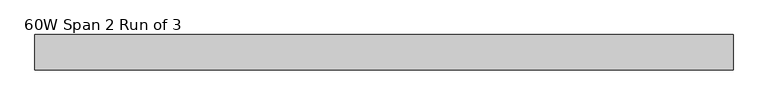
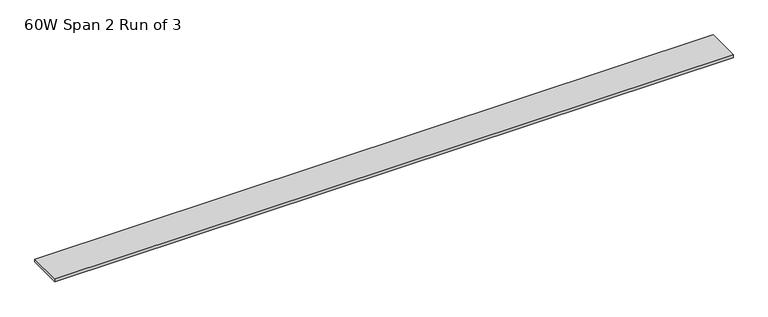
"""IFC4 building model written with IfcOpenShell, lengths in millimetres: furniture geometry, 60W Span 2 Run of 3."""

from ifc_helpers import new_model, si_unit, frame, origin, place, context, project, spatial, polyline, outline, extrude, source, transform, mapped, element, save


def furniture_60w_span_2_run_of_3_5e7d380f(model_context):
    return source(origin(), model_context, "Body", "SweptSolid", [
        extrude(outline(polyline([(706.01205, 38.735), (706.01205, -38.735), (-817.98795, -38.735), (-817.98795, 38.735), (706.01205, 38.735)])), frame((0.0, 0.0, 1429.766), z_axis=(0.0, 0.0, 1.0), x_axis=(1.0, 0.0, 0.0)), (0.0, 0.0, 1.0), 6.858),
    ])


if __name__ == "__main__":
    model = new_model("IFC4")
    model_context = context("Model", 3, world=origin())
    ifc_project = project(units=[si_unit("LENGTHUNIT", "METRE", prefix="MILLI")], contexts=[model_context])
    site = spatial("IfcSite", under=ifc_project)
    building = spatial("IfcBuilding", under=site)
    placement = place(None, origin())
    furniture_60w_span_2_run_of_3_shape = furniture_60w_span_2_run_of_3_5e7d380f(model_context)
    element("IfcFurniture", 1, ObjectType="60W Span 2 Run of 3", at=placement, inside=building, context=model_context, shape_type="MappedRepresentation", body=[
        mapped(furniture_60w_span_2_run_of_3_shape, transform((0.0, 0.0, 0.0), x_axis=(1.0, 0.0, 0.0), y_axis=(0.0, 1.0, 0.0), z_axis=(0.0, 0.0, 1.0))),
    ])
    save(model, "model.ifc")
